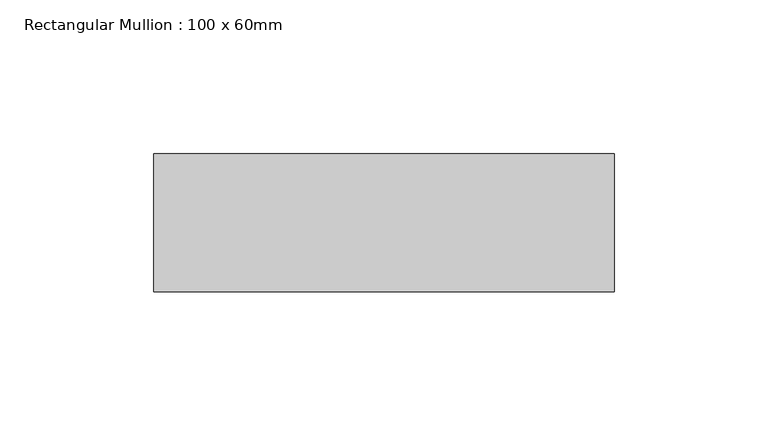
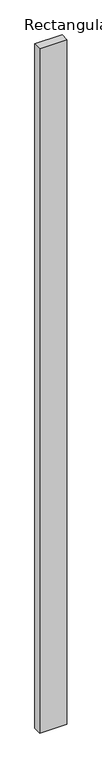
"""IFC4 building model written with IfcOpenShell, lengths in millimetres: member geometry, Rectangular Mullion : 100 x 60mm."""

import ifcopenshell
import ifcopenshell.guid

model = None  # the IFC model being written
_history = None  # IfcOwnerHistory: only IFC2X3 demands one
_inside = {}  # id of a spatial element -> (the spatial element, [elements in it])
_under = {}  # id of a project, library or spatial element -> (it, [spatial elements below it])
_declared = {}  # id of a project -> (the project, [libraries it declares])
_typed = {}  # id of a type object -> (the type object, [elements of that type])
_made_of = {}  # id of a material, layer set ... -> (it, [elements and type objects made of it])


def new_model(schema):
    """Start an empty IFC model of exactly this schema.

    Asked for "IFC4X3", IfcOpenShell would pick the latest addendum, in which some entities
    have other attributes; the version numbers below select the first issue.
    IFC2X3 requires an IfcOwnerHistory on every rooted entity: one is made here for all.
    """
    global model, _history
    if schema == "IFC4X3":
        model = ifcopenshell.file(schema_version=(4, 3, 0, 0))
    else:
        model = ifcopenshell.file(schema=schema)
    _inside.clear()
    _under.clear()
    _declared.clear()
    _typed.clear()
    _made_of.clear()
    _history = None
    if model.schema == "IFC2X3":
        org = make("IfcOrganization", Name="unknown")
        user = make(
            "IfcPersonAndOrganization",
            ThePerson=make("IfcPerson", FamilyName="unknown"),
            TheOrganization=org,
        )
        app = make(
            "IfcApplication",
            ApplicationDeveloper=org,
            Version="unknown",
            ApplicationFullName="unknown",
            ApplicationIdentifier="unknown",
        )
        _history = make(
            "IfcOwnerHistory",
            OwningUser=user,
            OwningApplication=app,
            ChangeAction="ADDED",
            CreationDate=0,
        )
    return model


def make(cls, **values):
    """One entity of the class cls with the attributes given. An attribute that is None is left unset."""
    return model.create_entity(
        cls, **{name: value for name, value in values.items() if value is not None}
    )


def rooted(cls, **values):
    """An entity with a GlobalId (a new one), such as an element, a storey or a relation."""
    return make(cls, GlobalId=ifcopenshell.guid.new(), OwnerHistory=_history, **values)


def si_unit(unit_type, name, prefix=None):
    """IfcSIUnit, for example si_unit("LENGTHUNIT", "METRE", prefix="MILLI")."""
    return make("IfcSIUnit", UnitType=unit_type, Prefix=prefix, Name=name)


def assignment(units):
    """IfcUnitAssignment: the units of a project."""
    return None if units is None else make("IfcUnitAssignment", Units=units)


def point(xyz):
    """IfcCartesianPoint."""
    return None if xyz is None else make("IfcCartesianPoint", Coordinates=xyz)


def direction(xyz):
    """IfcDirection."""
    return None if xyz is None else make("IfcDirection", DirectionRatios=xyz)


def frame(location, z_axis=None, x_axis=None):
    """IfcAxis2Placement3D, a coordinate frame: its origin and axes. An axis left out is left unset."""
    return make(
        "IfcAxis2Placement3D",
        Location=point(location),
        Axis=direction(z_axis),
        RefDirection=direction(x_axis),
    )


def origin():
    """The frame at (0, 0, 0) with its axes left unset."""
    return frame((0.0, 0.0, 0.0))


def place(relative_to, where):
    """IfcLocalPlacement: puts the frame where relative to a parent placement (None: the world)."""
    return make(
        "IfcLocalPlacement", PlacementRelTo=relative_to, RelativePlacement=where
    )


def context(
    kind, dimensions, precision=None, world=None, true_north=None, identifier=None
):
    """IfcGeometricRepresentationContext, for example the 3D "Model" context."""
    return make(
        "IfcGeometricRepresentationContext",
        ContextIdentifier=identifier,
        ContextType=kind,
        CoordinateSpaceDimension=dimensions,
        Precision=precision,
        WorldCoordinateSystem=world,
        TrueNorth=true_north,
    )


def project(units=None, contexts=None):
    """IfcProject with its units and contexts."""
    return rooted(
        "IfcProject",
        Name="project",
        RepresentationContexts=contexts,
        UnitsInContext=assignment(units),
    )


def spatial(cls, under=None, at=None, **own):
    """A site, building, storey or space (cls), placed at a placement, below another one or the project."""
    s = rooted(cls, ObjectPlacement=at, **own)
    if under is not None:
        _under.setdefault(under.id(), (under, []))[1].append(s)
    return s


def polyline(points):
    """IfcPolyline through the points."""
    return make("IfcPolyline", Points=[point(p) for p in points])


def outline(outer, holes=None, kind="AREA"):
    """IfcArbitraryClosedProfileDef: a profile drawn as a closed curve; with holes, ...WithVoids."""
    if holes is None:
        return make("IfcArbitraryClosedProfileDef", ProfileType=kind, OuterCurve=outer)
    return make(
        "IfcArbitraryProfileDefWithVoids",
        ProfileType=kind,
        OuterCurve=outer,
        InnerCurves=holes,
    )


def extrude(swept, where, along, depth):
    """IfcExtrudedAreaSolid: the profile swept, set in the frame where, extruded along a direction by depth."""
    return make(
        "IfcExtrudedAreaSolid",
        SweptArea=swept,
        Position=where,
        ExtrudedDirection=direction(along),
        Depth=depth,
    )


def shape(context_of_items, identifier, shape_type, items):
    """IfcShapeRepresentation: the items that make up one representation, for example the "Body"."""
    return make(
        "IfcShapeRepresentation",
        ContextOfItems=context_of_items,
        RepresentationIdentifier=identifier,
        RepresentationType=shape_type,
        Items=items,
    )


def source(mapping_origin, context_of_items, identifier, shape_type, items):
    """IfcRepresentationMap: a shape defined once, which mapped items show again and again."""
    return make(
        "IfcRepresentationMap",
        MappingOrigin=mapping_origin,
        MappedRepresentation=shape(context_of_items, identifier, shape_type, items),
    )


def transform(
    local_origin,
    x_axis=None,
    y_axis=None,
    z_axis=None,
    scale=None,
    scale2=None,
    scale3=None,
    uniform=True,
):
    """IfcCartesianTransformationOperator3D, or its non-uniform kind. x_axis, y_axis, z_axis: its Axis1, 2, 3."""
    if uniform:
        return make(
            "IfcCartesianTransformationOperator3D",
            Axis1=direction(x_axis),
            Axis2=direction(y_axis),
            LocalOrigin=point(local_origin),
            Scale=scale,
            Axis3=direction(z_axis),
        )
    return make(
        "IfcCartesianTransformationOperator3DnonUniform",
        Axis1=direction(x_axis),
        Axis2=direction(y_axis),
        LocalOrigin=point(local_origin),
        Scale=scale,
        Axis3=direction(z_axis),
        Scale2=scale2,
        Scale3=scale3,
    )


def mapped(mapping_source, mapping_target):
    """IfcMappedItem: shows the shape of a source again, moved by a transform."""
    return make(
        "IfcMappedItem", MappingSource=mapping_source, MappingTarget=mapping_target
    )


def made_of(thing, what):
    """Note that an element or type object is made of a material, layer set ...; save() writes the relation."""
    if what is not None:
        _made_of.setdefault(what.id(), (what, []))[1].append(thing)
    return thing


def element(
    cls,
    number,
    at=None,
    inside=None,
    cuts=None,
    type_object=None,
    material=None,
    context=None,
    identifier="Body",
    shape_type=None,
    held_by="IfcProductDefinitionShape",
    body=None,
    shapes=None,
    **own,
):
    """One element of the class cls, such as IfcWall. Its Tag is "e" and its number.

    at: its placement. inside: the storey or other place that contains it. cuts: it is an
    opening in that element (IfcRelVoidsElement). A single representation is given by context,
    identifier, shape_type and body (its items); several are given by shapes. held_by: the class
    of the entity that holds the representations. save() writes the other relations.
    """
    e = rooted(cls, Tag="e%d" % number, ObjectPlacement=at, **own)
    if body is not None:
        shapes = [shape(context, identifier, shape_type, body)]
    if shapes is not None:
        e.Representation = make(held_by, Representations=shapes)
    if inside is not None:
        _inside.setdefault(inside.id(), (inside, []))[1].append(e)
    if cuts is not None:
        rooted(
            "IfcRelVoidsElement", RelatingBuildingElement=cuts, RelatedOpeningElement=e
        )
    if type_object is not None:
        _typed.setdefault(type_object.id(), (type_object, []))[1].append(e)
    return made_of(e, material)


def aggregate(whole, parts):
    """IfcRelAggregates: a whole, such as a stair, and the parts it consists of."""
    return rooted("IfcRelAggregates", RelatingObject=whole, RelatedObjects=parts)


def save(model, path):
    """Write the relations noted so far, then the file.

    IfcRelAggregates (storeys below a building ...), IfcRelContainedInSpatialStructure (elements
    in a storey), IfcRelDefinesByType, IfcRelAssociatesMaterial and IfcRelDeclares: one each for
    every whole, place, type object, material and project.
    """
    for whole, parts in _under.values():
        aggregate(whole, parts)
    for where, things in _inside.values():
        rooted(
            "IfcRelContainedInSpatialStructure",
            RelatedElements=things,
            RelatingStructure=where,
        )
    for kind, things in _typed.values():
        rooted("IfcRelDefinesByType", RelatedObjects=things, RelatingType=kind)
    for what, things in _made_of.values():
        rooted("IfcRelAssociatesMaterial", RelatedObjects=things, RelatingMaterial=what)
    for by, libraries in _declared.values():
        rooted("IfcRelDeclares", RelatingContext=by, RelatedDefinitions=libraries)
    model.write(path)


def rectangular_mullion_100_x_60mm_0e7c4f78(model_context):
    return source(origin(), model_context, "Body", "SweptSolid", [
        extrude(outline(polyline([(-150.0, -30.0), (-150.0, 15.0), (0.0, 15.0), (0.0, -30.0), (-150.0, -30.0)])), frame((0.0, 0.0, -4000.0), z_axis=(0.0, 0.0, 1.0), x_axis=(1.0, 0.0, 0.0)), (0.0, 0.0, 1.0), 4000.0),
    ])


if __name__ == "__main__":
    model = new_model("IFC4")
    model_context = context("Model", 3, world=origin())
    ifc_project = project(units=[si_unit("LENGTHUNIT", "METRE", prefix="MILLI")], contexts=[model_context])
    site = spatial("IfcSite", under=ifc_project)
    building = spatial("IfcBuilding", under=site)
    placement = place(None, origin())
    rectangular_mullion_100_x_60mm_shape = rectangular_mullion_100_x_60mm_0e7c4f78(model_context)
    element("IfcMember", 1, ObjectType="Rectangular Mullion : 100 x 60mm", at=placement, inside=building, context=model_context, shape_type="MappedRepresentation", body=[
        mapped(rectangular_mullion_100_x_60mm_shape, transform((0.0, 0.0, 0.0), x_axis=(1.0, 0.0, 0.0), y_axis=(0.0, 1.0, 0.0), z_axis=(0.0, 0.0, 1.0))),
    ])
    save(model, "model.ifc")
